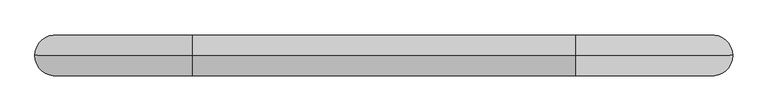
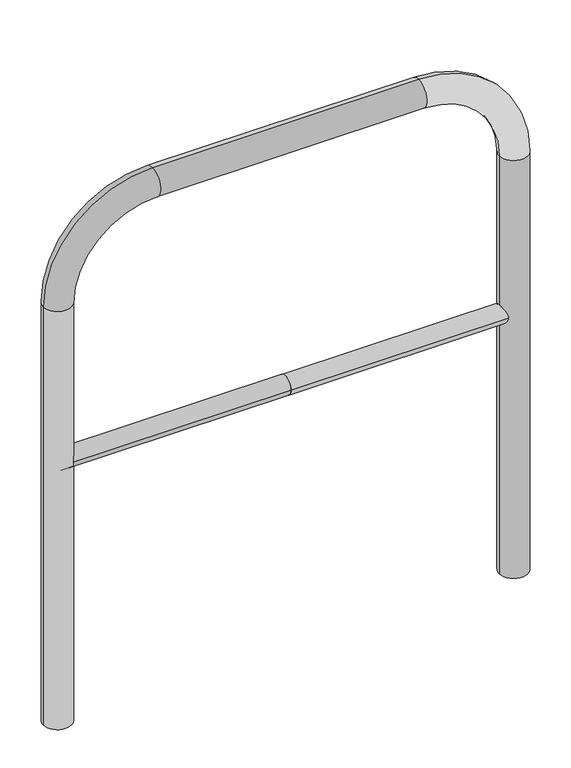
"""IFC4 building model written with IfcOpenShell, lengths in millimetres: proxy geometry."""

from ifc_helpers import new_model, si_unit, point, frame, frame_2d, origin, place, context, project, spatial, circle_curve, ellipse_curve, trimmed, segment, composite_curve, outline, extrude, source, transform, mapped, element, save
from ifc_brep_helpers import plane_surface, cylinder_surface, revolved_surface, advanced_brep


def generic_models_19e416b3(model_context):
    return source(origin(), model_context, "Body", "SolidModel", [
        extrude(outline(composite_curve([segment(trimmed(circle_curve(frame_2d((0.0, 498.4778375)), 20.0), [point((20.0, 498.4778375))], [point((-20.0, 498.4778375))], False, "CARTESIAN"), True, "CONTINUOUS"), segment(trimmed(circle_curve(frame_2d((0.0, 498.4778375)), 20.0), [point((-20.0, 498.4778375))], [point((20.0, 498.4778375))], False, "CARTESIAN"), True, "CONTINUOUS")], self_intersect=False)), frame((-480.4854773, 0.0, 0.0), z_axis=(1.0, 0.0, 0.0), x_axis=(0.0, 1.0, 0.0)), (0.0, 0.0, 1.0), 480.4854773),
        extrude(outline(composite_curve([segment(trimmed(circle_curve(frame_2d((0.0, 498.4778375)), 20.0), [point((20.0, 498.4778375))], [point((-20.0, 498.4778375))], False, "CARTESIAN"), True, "CONTINUOUS"), segment(trimmed(circle_curve(frame_2d((0.0, 498.4778375)), 20.0), [point((-20.0, 498.4778375))], [point((20.0, 498.4778375))], False, "CARTESIAN"), True, "CONTINUOUS")], self_intersect=False)), frame((0.0, 0.0, 0.0), z_axis=(1.0, 0.0, 0.0), x_axis=(0.0, 1.0, 0.0)), (0.0, 0.0, 1.0), 480.4854773),
        advanced_brep(
        [(-450.4854773, 0.0, -80.0), (-510.4854773, 0.0, -80.0), (-510.4854773, 0.0, 850.0), (-450.4854773, 0.0, 850.0), (-280.4854773, 0.0, 1080.0), (-280.4854773, 0.0, 1020.0), (280.4854773, 0.0, 1080.0), (280.4854773, 0.0, 1020.0), (510.4854773, 0.0, 850.0), (450.4854773, 0.0, 850.0), (450.4854773, 0.0, -80.0), (510.4854773, 0.0, -80.0)],
        [
            (0, 1, circle_curve(frame((-480.4854773, 0.0, -80.0), z_axis=(0.0, 0.0, -1.0), x_axis=(-1.0, 0.0, 0.0)), 30.0)),
            (1, 0, circle_curve(frame((-480.4854773, 0.0, -80.0), z_axis=(0.0, 0.0, -1.0), x_axis=(-1.0, 0.0, 0.0)), 30.0)),
            (1, 2),
            (2, 3, circle_curve(frame((-480.4854773, 0.0, 850.0), z_axis=(0.0, 0.0, -1.0), x_axis=(-1.0, 0.0, 0.0)), 30.0)),
            (3, 0),
            (3, 2, circle_curve(frame((-480.4854773, 0.0, 850.0), z_axis=(0.0, 0.0, -1.0), x_axis=(-1.0, 0.0, 0.0)), 30.0)),
            (4, 5, circle_curve(frame((-280.4854773, 0.0, 1050.0), z_axis=(-1.0, 0.0, 0.0), x_axis=(0.0, 0.0, 1.0)), 30.0)),
            (5, 3, circle_curve(frame((-280.4854773, 0.0, 850.0), z_axis=(0.0, -1.0, 0.0), x_axis=(-1.0, 0.0, 0.0)), 170.0)),
            (2, 4, circle_curve(frame((-280.4854773, 0.0, 850.0), z_axis=(0.0, 1.0, 0.0), x_axis=(-1.0, 0.0, 0.0)), 230.0)),
            (5, 4, circle_curve(frame((-280.4854773, 0.0, 1050.0), z_axis=(-1.0, 0.0, 0.0), x_axis=(0.0, 0.0, 1.0)), 30.0)),
            (4, 6),
            (6, 7, circle_curve(frame((280.4854773, 0.0, 1050.0), z_axis=(-1.0, 0.0, 0.0), x_axis=(0.0, 0.0, 1.0)), 30.0)),
            (7, 5),
            (7, 6, circle_curve(frame((280.4854773, 0.0, 1050.0), z_axis=(-1.0, 0.0, 0.0), x_axis=(0.0, 0.0, 1.0)), 30.0)),
            (8, 9, circle_curve(frame((480.4854773, 0.0, 850.0), z_axis=(0.0, 0.0, 1.0), x_axis=(1.0, 0.0, 0.0)), 30.0)),
            (9, 7, circle_curve(frame((280.4854773, 0.0, 850.0), z_axis=(0.0, -1.0, 0.0), x_axis=(0.0, 0.0, 1.0)), 170.0)),
            (6, 8, circle_curve(frame((280.4854773, 0.0, 850.0), z_axis=(0.0, 1.0, 0.0), x_axis=(0.0, 0.0, 1.0)), 230.0)),
            (9, 8, circle_curve(frame((480.4854773, 0.0, 850.0), z_axis=(0.0, 0.0, 1.0), x_axis=(1.0, 0.0, 0.0)), 30.0)),
            (10, 11, circle_curve(frame((480.4854773, 0.0, -80.0), z_axis=(0.0, 0.0, -1.0), x_axis=(1.0, 0.0, 0.0)), 30.0)),
            (11, 10, circle_curve(frame((480.4854773, 0.0, -80.0), z_axis=(0.0, 0.0, -1.0), x_axis=(1.0, 0.0, 0.0)), 30.0)),
            (8, 11),
            (10, 9),
        ],
        [
            plane_surface(frame((-480.4854773, 0.0, -80.0), z_axis=(0.0, 0.0, -1.0), x_axis=(0.0, 1.0, 0.0))),
            cylinder_surface(frame((-480.4854773, 0.0, -80.0), z_axis=(0.0, 0.0, -1.0), x_axis=(-1.0, 0.0, 0.0)), 30.0),
            revolved_surface(trimmed(ellipse_curve(frame((-480.4854773, 0.0, 850.0), z_axis=(0.0, 0.0, 1.0), x_axis=(-1.0, 0.0, 0.0)), 30.0, 30.0), [point((-450.4854773, 0.0, 850.0))], [point((-510.4854773, 0.0, 850.0))], True, "CARTESIAN"), (-280.4854773, 0.0, 850.0), (0.0, -1.0, 0.0)),
            revolved_surface(trimmed(ellipse_curve(frame((-480.4854773, 0.0, 850.0), z_axis=(0.0, 0.0, 1.0), x_axis=(-1.0, 0.0, 0.0)), 30.0, 30.0), [point((-510.4854773, 0.0, 850.0))], [point((-450.4854773, 0.0, 850.0))], True, "CARTESIAN"), (-280.4854773, 0.0, 850.0), (0.0, -1.0, 0.0)),
            cylinder_surface(frame((-280.4854773, 0.0, 1050.0), z_axis=(-1.0, 0.0, 0.0), x_axis=(0.0, 0.0, 1.0)), 30.0),
            revolved_surface(trimmed(ellipse_curve(frame((280.4854773, 0.0, 1050.0), z_axis=(1.0, 0.0, 0.0), x_axis=(0.0, 0.0, 1.0)), 30.0, 30.0), [point((280.4854773, 0.0, 1020.0))], [point((280.4854773, 0.0, 1080.0))], True, "CARTESIAN"), (280.4854773, 0.0, 850.0), (0.0, -1.0, 0.0)),
            revolved_surface(trimmed(ellipse_curve(frame((280.4854773, 0.0, 1050.0), z_axis=(1.0, 0.0, 0.0), x_axis=(0.0, 0.0, 1.0)), 30.0, 30.0), [point((280.4854773, 0.0, 1080.0))], [point((280.4854773, 0.0, 1020.0))], True, "CARTESIAN"), (280.4854773, 0.0, 850.0), (0.0, -1.0, 0.0)),
            plane_surface(frame((480.4854773, 0.0, -80.0), z_axis=(0.0, 0.0, -1.0), x_axis=(0.0, 1.0, 0.0))),
            cylinder_surface(frame((480.4854773, 0.0, 850.0), z_axis=(0.0, 0.0, 1.0), x_axis=(1.0, 0.0, 0.0)), 30.0),
        ],
        [
            (0, [[1, 2]]),
            (1, [[3, 4, 5, -2]]),
            (1, [[-5, 6, -3, -1]]),
            (2, [[7, 8, -4, 9]]),
            (3, [[10, -9, -6, -8]]),
            (4, [[11, 12, 13, -7]]),
            (4, [[-13, 14, -11, -10]]),
            (5, [[15, 16, -12, 17]]),
            (6, [[18, -17, -14, -16]]),
            (7, [[19, 20]]),
            (8, [[21, -19, 22, -15]]),
            (8, [[-22, -20, -21, -18]]),
        ],
    ),
    ])


if __name__ == "__main__":
    model = new_model("IFC4")
    model_context = context("Model", 3, world=origin())
    ifc_project = project(units=[si_unit("LENGTHUNIT", "METRE", prefix="MILLI")], contexts=[model_context])
    site = spatial("IfcSite", under=ifc_project)
    building = spatial("IfcBuilding", under=site)
    placement = place(None, origin())
    generic_models_shape = generic_models_19e416b3(model_context)
    element("IfcBuildingElementProxy", 1, Name="Generic Models", at=placement, inside=building, context=model_context, shape_type="MappedRepresentation", body=[
        mapped(generic_models_shape, transform((0.0, 0.0, 0.0), x_axis=(1.0, 0.0, 0.0), y_axis=(0.0, 1.0, 0.0), z_axis=(0.0, 0.0, 1.0))),
    ])
    save(model, "model.ifc")
